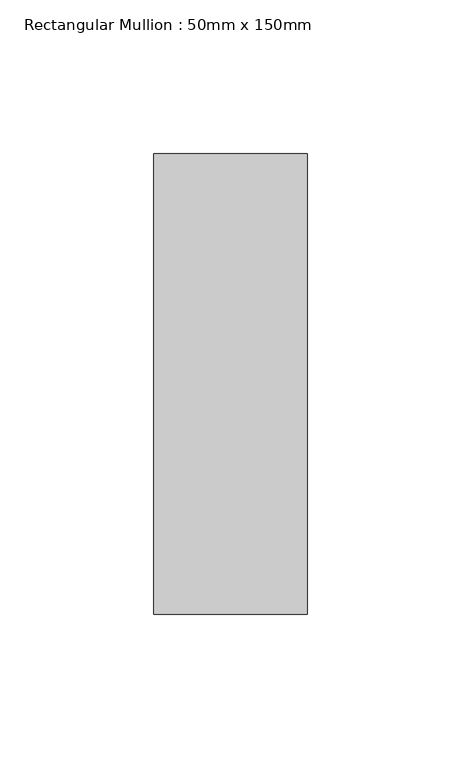
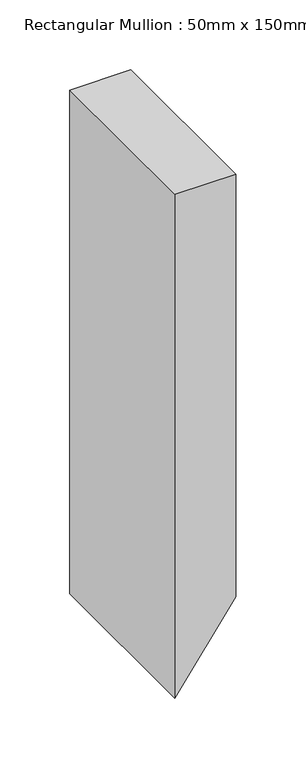
"""IFC4 building model written with IfcOpenShell, lengths in millimetres: member geometry, Rectangular Mullion : 50mm x 150mm."""

from ifc_helpers import new_model, si_unit, point, frame, frame_2d, origin, place, context, project, spatial, polyline, circle_curve, trimmed, segment, composite_curve, outline, extrude, source, transform, mapped, element, save


def rectangular_mullion_50mm_x_150mm_8a5f6983(model_context):
    return source(origin(), model_context, "Body", "SweptSolid", [
        extrude(outline(composite_curve([segment(polyline([(0.0, 25.0), (0.0, -25.0), (-439.3368087, -25.0)]), True, "CONTINUOUS"), segment(trimmed(circle_curve(frame_2d((3226.8533559, -5143.5868135)), 6296.1004829), [point((-439.3368087, -25.0))], [point((-368.5036002, 25.0))], False, "CARTESIAN"), True, "CONTINUOUS"), segment(polyline([(-368.5036002, 25.0), (0.0, 25.0)]), True, "CONTINUOUS")], self_intersect=False)), frame((0.0, -75.0, 0.0), z_axis=(0.0, 1.0, 0.0), x_axis=(0.0, 0.0, 1.0)), (0.0, 0.0, 1.0), 150.0),
    ])


if __name__ == "__main__":
    model = new_model("IFC4")
    model_context = context("Model", 3, world=origin())
    ifc_project = project(units=[si_unit("LENGTHUNIT", "METRE", prefix="MILLI")], contexts=[model_context])
    site = spatial("IfcSite", under=ifc_project)
    building = spatial("IfcBuilding", under=site)
    placement = place(None, origin())
    rectangular_mullion_50mm_x_150mm_shape = rectangular_mullion_50mm_x_150mm_8a5f6983(model_context)
    element("IfcMember", 1, ObjectType="Rectangular Mullion : 50mm x 150mm", at=placement, inside=building, context=model_context, shape_type="MappedRepresentation", body=[
        mapped(rectangular_mullion_50mm_x_150mm_shape, transform((0.0, 0.0, 0.0), x_axis=(1.0, 0.0, 0.0), y_axis=(0.0, 1.0, 0.0), z_axis=(0.0, 0.0, 1.0))),
    ])
    save(model, "model.ifc")
